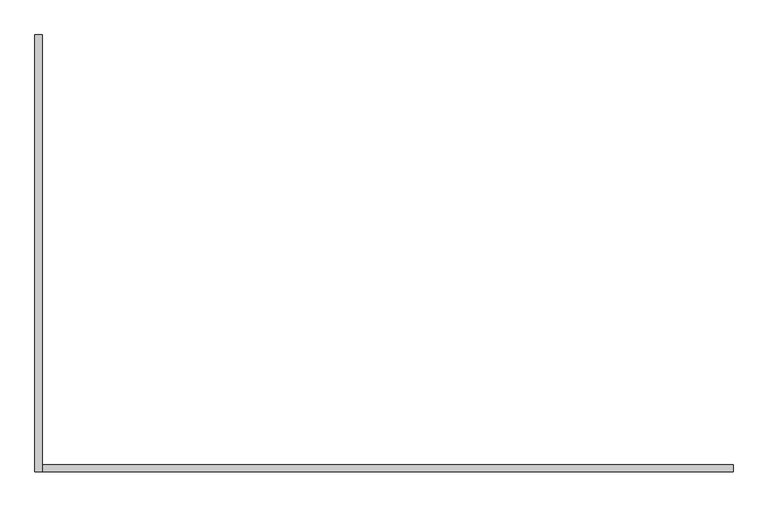
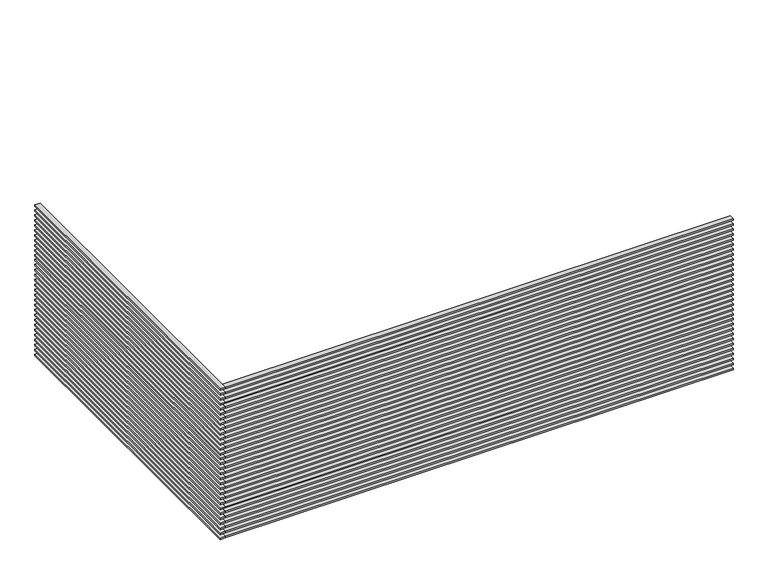
"""IFC4 building model written with IfcOpenShell, lengths in millimetres: proxy geometry."""

from ifc_helpers import new_model, si_unit, frame, origin, place, context, project, spatial, polyline, outline, extrude, source, transform, mapped, element, save


def generic_models_eebe7cf6(model_context):
    return source(origin(), model_context, "Body", "SweptSolid", [
        extrude(outline(polyline([(-200.0, 6100.0), (-200.0, 0.0), (-300.0, 0.0), (-300.0, 6100.0), (-200.0, 6100.0)])), frame((0.0, 0.0, 2985.0), z_axis=(0.0, 0.0, 1.0), x_axis=(1.0, 0.0, 0.0)), (0.0, 0.0, 1.0), 30.0),
        extrude(outline(polyline([(-200.0, 6100.0), (-200.0, 0.0), (-300.0, 0.0), (-300.0, 6100.0), (-200.0, 6100.0)])), frame((0.0, 0.0, 2885.0), z_axis=(0.0, 0.0, 1.0), x_axis=(1.0, 0.0, 0.0)), (0.0, 0.0, 1.0), 30.0),
        extrude(outline(polyline([(-200.0, 6100.0), (-200.0, 0.0), (-300.0, 0.0), (-300.0, 6100.0), (-200.0, 6100.0)])), frame((0.0, 0.0, 2785.0), z_axis=(0.0, 0.0, 1.0), x_axis=(1.0, 0.0, 0.0)), (0.0, 0.0, 1.0), 30.0),
        extrude(outline(polyline([(-200.0, 6100.0), (-200.0, 0.0), (-300.0, 0.0), (-300.0, 6100.0), (-200.0, 6100.0)])), frame((0.0, 0.0, 2685.0), z_axis=(0.0, 0.0, 1.0), x_axis=(1.0, 0.0, 0.0)), (0.0, 0.0, 1.0), 30.0),
        extrude(outline(polyline([(-200.0, 6100.0), (-200.0, 0.0), (-300.0, 0.0), (-300.0, 6100.0), (-200.0, 6100.0)])), frame((0.0, 0.0, 2585.0), z_axis=(0.0, 0.0, 1.0), x_axis=(1.0, 0.0, 0.0)), (0.0, 0.0, 1.0), 30.0),
        extrude(outline(polyline([(-200.0, 6100.0), (-200.0, 0.0), (-300.0, 0.0), (-300.0, 6100.0), (-200.0, 6100.0)])), frame((0.0, 0.0, 2485.0), z_axis=(0.0, 0.0, 1.0), x_axis=(1.0, 0.0, 0.0)), (0.0, 0.0, 1.0), 30.0),
        extrude(outline(polyline([(-200.0, 6100.0), (-200.0, 0.0), (-300.0, 0.0), (-300.0, 6100.0), (-200.0, 6100.0)])), frame((0.0, 0.0, 2385.0), z_axis=(0.0, 0.0, 1.0), x_axis=(1.0, 0.0, 0.0)), (0.0, 0.0, 1.0), 30.0),
        extrude(outline(polyline([(-200.0, 6100.0), (-200.0, 0.0), (-300.0, 0.0), (-300.0, 6100.0), (-200.0, 6100.0)])), frame((0.0, 0.0, 2285.0), z_axis=(0.0, 0.0, 1.0), x_axis=(1.0, 0.0, 0.0)), (0.0, 0.0, 1.0), 30.0),
        extrude(outline(polyline([(-200.0, 6100.0), (-200.0, 0.0), (-300.0, 0.0), (-300.0, 6100.0), (-200.0, 6100.0)])), frame((0.0, 0.0, 2185.0), z_axis=(0.0, 0.0, 1.0), x_axis=(1.0, 0.0, 0.0)), (0.0, 0.0, 1.0), 30.0),
        extrude(outline(polyline([(-200.0, 6100.0), (-200.0, 0.0), (-300.0, 0.0), (-300.0, 6100.0), (-200.0, 6100.0)])), frame((0.0, 0.0, 2085.0), z_axis=(0.0, 0.0, 1.0), x_axis=(1.0, 0.0, 0.0)), (0.0, 0.0, 1.0), 30.0),
        extrude(outline(polyline([(-200.0, 6100.0), (-200.0, 0.0), (-300.0, 0.0), (-300.0, 6100.0), (-200.0, 6100.0)])), frame((0.0, 0.0, 1985.0), z_axis=(0.0, 0.0, 1.0), x_axis=(1.0, 0.0, 0.0)), (0.0, 0.0, 1.0), 30.0),
        extrude(outline(polyline([(-200.0, 6100.0), (-200.0, 0.0), (-300.0, 0.0), (-300.0, 6100.0), (-200.0, 6100.0)])), frame((0.0, 0.0, 1885.0), z_axis=(0.0, 0.0, 1.0), x_axis=(1.0, 0.0, 0.0)), (0.0, 0.0, 1.0), 30.0),
        extrude(outline(polyline([(-200.0, 6100.0), (-200.0, 0.0), (-300.0, 0.0), (-300.0, 6100.0), (-200.0, 6100.0)])), frame((0.0, 0.0, 1785.0), z_axis=(0.0, 0.0, 1.0), x_axis=(1.0, 0.0, 0.0)), (0.0, 0.0, 1.0), 30.0),
        extrude(outline(polyline([(-200.0, 6100.0), (-200.0, 0.0), (-300.0, 0.0), (-300.0, 6100.0), (-200.0, 6100.0)])), frame((0.0, 0.0, 1685.0), z_axis=(0.0, 0.0, 1.0), x_axis=(1.0, 0.0, 0.0)), (0.0, 0.0, 1.0), 30.0),
        extrude(outline(polyline([(-200.0, 6100.0), (-200.0, 0.0), (-300.0, 0.0), (-300.0, 6100.0), (-200.0, 6100.0)])), frame((0.0, 0.0, 1585.0), z_axis=(0.0, 0.0, 1.0), x_axis=(1.0, 0.0, 0.0)), (0.0, 0.0, 1.0), 30.0),
        extrude(outline(polyline([(-200.0, 6100.0), (-200.0, 0.0), (-300.0, 0.0), (-300.0, 6100.0), (-200.0, 6100.0)])), frame((0.0, 0.0, 1485.0), z_axis=(0.0, 0.0, 1.0), x_axis=(1.0, 0.0, 0.0)), (0.0, 0.0, 1.0), 30.0),
        extrude(outline(polyline([(-200.0, 6100.0), (-200.0, 0.0), (-300.0, 0.0), (-300.0, 6100.0), (-200.0, 6100.0)])), frame((0.0, 0.0, 1385.0), z_axis=(0.0, 0.0, 1.0), x_axis=(1.0, 0.0, 0.0)), (0.0, 0.0, 1.0), 30.0),
        extrude(outline(polyline([(-200.0, 6100.0), (-200.0, 0.0), (-300.0, 0.0), (-300.0, 6100.0), (-200.0, 6100.0)])), frame((0.0, 0.0, 1285.0), z_axis=(0.0, 0.0, 1.0), x_axis=(1.0, 0.0, 0.0)), (0.0, 0.0, 1.0), 30.0),
        extrude(outline(polyline([(-200.0, 6100.0), (-200.0, 0.0), (-300.0, 0.0), (-300.0, 6100.0), (-200.0, 6100.0)])), frame((0.0, 0.0, 1185.0), z_axis=(0.0, 0.0, 1.0), x_axis=(1.0, 0.0, 0.0)), (0.0, 0.0, 1.0), 30.0),
        extrude(outline(polyline([(-200.0, 6100.0), (-200.0, 0.0), (-300.0, 0.0), (-300.0, 6100.0), (-200.0, 6100.0)])), frame((0.0, 0.0, 1085.0), z_axis=(0.0, 0.0, 1.0), x_axis=(1.0, 0.0, 0.0)), (0.0, 0.0, 1.0), 30.0),
        extrude(outline(polyline([(-200.0, 6100.0), (-200.0, 0.0), (-300.0, 0.0), (-300.0, 6100.0), (-200.0, 6100.0)])), frame((0.0, 0.0, 985.0), z_axis=(0.0, 0.0, 1.0), x_axis=(1.0, 0.0, 0.0)), (0.0, 0.0, 1.0), 30.0),
        extrude(outline(polyline([(-200.0, 6100.0), (-200.0, 0.0), (-300.0, 0.0), (-300.0, 6100.0), (-200.0, 6100.0)])), frame((0.0, 0.0, 885.0), z_axis=(0.0, 0.0, 1.0), x_axis=(1.0, 0.0, 0.0)), (0.0, 0.0, 1.0), 30.0),
        extrude(outline(polyline([(-200.0, 6100.0), (-200.0, 0.0), (-300.0, 0.0), (-300.0, 6100.0), (-200.0, 6100.0)])), frame((0.0, 0.0, 785.0), z_axis=(0.0, 0.0, 1.0), x_axis=(1.0, 0.0, 0.0)), (0.0, 0.0, 1.0), 30.0),
        extrude(outline(polyline([(-200.0, 6100.0), (-200.0, 0.0), (-300.0, 0.0), (-300.0, 6100.0), (-200.0, 6100.0)])), frame((0.0, 0.0, 685.0), z_axis=(0.0, 0.0, 1.0), x_axis=(1.0, 0.0, 0.0)), (0.0, 0.0, 1.0), 30.0),
        extrude(outline(polyline([(-200.0, 6100.0), (-200.0, 0.0), (-300.0, 0.0), (-300.0, 6100.0), (-200.0, 6100.0)])), frame((0.0, 0.0, 585.0), z_axis=(0.0, 0.0, 1.0), x_axis=(1.0, 0.0, 0.0)), (0.0, 0.0, 1.0), 30.0),
        extrude(outline(polyline([(-200.0, 6100.0), (-200.0, 0.0), (-300.0, 0.0), (-300.0, 6100.0), (-200.0, 6100.0)])), frame((0.0, 0.0, 485.0), z_axis=(0.0, 0.0, 1.0), x_axis=(1.0, 0.0, 0.0)), (0.0, 0.0, 1.0), 30.0),
        extrude(outline(polyline([(-200.0, 6100.0), (-200.0, 0.0), (-300.0, 0.0), (-300.0, 6100.0), (-200.0, 6100.0)])), frame((0.0, 0.0, 385.0), z_axis=(0.0, 0.0, 1.0), x_axis=(1.0, 0.0, 0.0)), (0.0, 0.0, 1.0), 30.0),
        extrude(outline(polyline([(-200.0, 6100.0), (-200.0, 0.0), (-300.0, 0.0), (-300.0, 6100.0), (-200.0, 6100.0)])), frame((0.0, 0.0, 285.0), z_axis=(0.0, 0.0, 1.0), x_axis=(1.0, 0.0, 0.0)), (0.0, 0.0, 1.0), 30.0),
        extrude(outline(polyline([(-200.0, 6100.0), (-200.0, 0.0), (-300.0, 0.0), (-300.0, 6100.0), (-200.0, 6100.0)])), frame((0.0, 0.0, 185.0), z_axis=(0.0, 0.0, 1.0), x_axis=(1.0, 0.0, 0.0)), (0.0, 0.0, 1.0), 30.0),
        extrude(outline(polyline([(-200.0, 6100.0), (-200.0, 0.0), (-300.0, 0.0), (-300.0, 6100.0), (-200.0, 6100.0)])), frame((0.0, 0.0, 85.0), z_axis=(0.0, 0.0, 1.0), x_axis=(1.0, 0.0, 0.0)), (0.0, 0.0, 1.0), 30.0),
        extrude(outline(polyline([(-200.0, 6100.0), (-200.0, 0.0), (-300.0, 0.0), (-300.0, 6100.0), (-200.0, 6100.0)])), frame((0.0, 0.0, -15.0), z_axis=(0.0, 0.0, 1.0), x_axis=(1.0, 0.0, 0.0)), (0.0, 0.0, 1.0), 30.0),
        extrude(outline(polyline([(-200.0, 100.0), (9450.0, 100.0), (9450.0, 0.0), (-200.0, 0.0), (-200.0, 100.0)])), frame((0.0, 0.0, 2985.0), z_axis=(0.0, 0.0, 1.0), x_axis=(1.0, 0.0, 0.0)), (0.0, 0.0, 1.0), 30.0),
        extrude(outline(polyline([(-200.0, 100.0), (9450.0, 100.0), (9450.0, 0.0), (-200.0, 0.0), (-200.0, 100.0)])), frame((0.0, 0.0, 2885.0), z_axis=(0.0, 0.0, 1.0), x_axis=(1.0, 0.0, 0.0)), (0.0, 0.0, 1.0), 30.0),
        extrude(outline(polyline([(-200.0, 100.0), (9450.0, 100.0), (9450.0, 0.0), (-200.0, 0.0), (-200.0, 100.0)])), frame((0.0, 0.0, 2785.0), z_axis=(0.0, 0.0, 1.0), x_axis=(1.0, 0.0, 0.0)), (0.0, 0.0, 1.0), 30.0),
        extrude(outline(polyline([(-200.0, 100.0), (9450.0, 100.0), (9450.0, 0.0), (-200.0, 0.0), (-200.0, 100.0)])), frame((0.0, 0.0, 2685.0), z_axis=(0.0, 0.0, 1.0), x_axis=(1.0, 0.0, 0.0)), (0.0, 0.0, 1.0), 30.0),
        extrude(outline(polyline([(-200.0, 100.0), (9450.0, 100.0), (9450.0, 0.0), (-200.0, 0.0), (-200.0, 100.0)])), frame((0.0, 0.0, 2585.0), z_axis=(0.0, 0.0, 1.0), x_axis=(1.0, 0.0, 0.0)), (0.0, 0.0, 1.0), 30.0),
        extrude(outline(polyline([(-200.0, 100.0), (9450.0, 100.0), (9450.0, 0.0), (-200.0, 0.0), (-200.0, 100.0)])), frame((0.0, 0.0, 2485.0), z_axis=(0.0, 0.0, 1.0), x_axis=(1.0, 0.0, 0.0)), (0.0, 0.0, 1.0), 30.0),
        extrude(outline(polyline([(-200.0, 100.0), (9450.0, 100.0), (9450.0, 0.0), (-200.0, 0.0), (-200.0, 100.0)])), frame((0.0, 0.0, 2385.0), z_axis=(0.0, 0.0, 1.0), x_axis=(1.0, 0.0, 0.0)), (0.0, 0.0, 1.0), 30.0),
        extrude(outline(polyline([(-200.0, 100.0), (9450.0, 100.0), (9450.0, 0.0), (-200.0, 0.0), (-200.0, 100.0)])), frame((0.0, 0.0, 2285.0), z_axis=(0.0, 0.0, 1.0), x_axis=(1.0, 0.0, 0.0)), (0.0, 0.0, 1.0), 30.0),
        extrude(outline(polyline([(-200.0, 100.0), (9450.0, 100.0), (9450.0, 0.0), (-200.0, 0.0), (-200.0, 100.0)])), frame((0.0, 0.0, 2185.0), z_axis=(0.0, 0.0, 1.0), x_axis=(1.0, 0.0, 0.0)), (0.0, 0.0, 1.0), 30.0),
        extrude(outline(polyline([(-200.0, 100.0), (9450.0, 100.0), (9450.0, 0.0), (-200.0, 0.0), (-200.0, 100.0)])), frame((0.0, 0.0, 2085.0), z_axis=(0.0, 0.0, 1.0), x_axis=(1.0, 0.0, 0.0)), (0.0, 0.0, 1.0), 30.0),
        extrude(outline(polyline([(-200.0, 100.0), (9450.0, 100.0), (9450.0, 0.0), (-200.0, 0.0), (-200.0, 100.0)])), frame((0.0, 0.0, 1985.0), z_axis=(0.0, 0.0, 1.0), x_axis=(1.0, 0.0, 0.0)), (0.0, 0.0, 1.0), 30.0),
        extrude(outline(polyline([(-200.0, 100.0), (9450.0, 100.0), (9450.0, 0.0), (-200.0, 0.0), (-200.0, 100.0)])), frame((0.0, 0.0, 1885.0), z_axis=(0.0, 0.0, 1.0), x_axis=(1.0, 0.0, 0.0)), (0.0, 0.0, 1.0), 30.0),
        extrude(outline(polyline([(-200.0, 100.0), (9450.0, 100.0), (9450.0, 0.0), (-200.0, 0.0), (-200.0, 100.0)])), frame((0.0, 0.0, 1785.0), z_axis=(0.0, 0.0, 1.0), x_axis=(1.0, 0.0, 0.0)), (0.0, 0.0, 1.0), 30.0),
        extrude(outline(polyline([(-200.0, 100.0), (9450.0, 100.0), (9450.0, 0.0), (-200.0, 0.0), (-200.0, 100.0)])), frame((0.0, 0.0, 1685.0), z_axis=(0.0, 0.0, 1.0), x_axis=(1.0, 0.0, 0.0)), (0.0, 0.0, 1.0), 30.0),
        extrude(outline(polyline([(-200.0, 100.0), (9450.0, 100.0), (9450.0, 0.0), (-200.0, 0.0), (-200.0, 100.0)])), frame((0.0, 0.0, 1585.0), z_axis=(0.0, 0.0, 1.0), x_axis=(1.0, 0.0, 0.0)), (0.0, 0.0, 1.0), 30.0),
        extrude(outline(polyline([(-200.0, 100.0), (9450.0, 100.0), (9450.0, 0.0), (-200.0, 0.0), (-200.0, 100.0)])), frame((0.0, 0.0, 1485.0), z_axis=(0.0, 0.0, 1.0), x_axis=(1.0, 0.0, 0.0)), (0.0, 0.0, 1.0), 30.0),
        extrude(outline(polyline([(-200.0, 100.0), (9450.0, 100.0), (9450.0, 0.0), (-200.0, 0.0), (-200.0, 100.0)])), frame((0.0, 0.0, 1385.0), z_axis=(0.0, 0.0, 1.0), x_axis=(1.0, 0.0, 0.0)), (0.0, 0.0, 1.0), 30.0),
        extrude(outline(polyline([(-200.0, 100.0), (9450.0, 100.0), (9450.0, 0.0), (-200.0, 0.0), (-200.0, 100.0)])), frame((0.0, 0.0, 1285.0), z_axis=(0.0, 0.0, 1.0), x_axis=(1.0, 0.0, 0.0)), (0.0, 0.0, 1.0), 30.0),
        extrude(outline(polyline([(-200.0, 100.0), (9450.0, 100.0), (9450.0, 0.0), (-200.0, 0.0), (-200.0, 100.0)])), frame((0.0, 0.0, 1185.0), z_axis=(0.0, 0.0, 1.0), x_axis=(1.0, 0.0, 0.0)), (0.0, 0.0, 1.0), 30.0),
        extrude(outline(polyline([(-200.0, 100.0), (9450.0, 100.0), (9450.0, 0.0), (-200.0, 0.0), (-200.0, 100.0)])), frame((0.0, 0.0, 1085.0), z_axis=(0.0, 0.0, 1.0), x_axis=(1.0, 0.0, 0.0)), (0.0, 0.0, 1.0), 30.0),
        extrude(outline(polyline([(-200.0, 100.0), (9450.0, 100.0), (9450.0, 0.0), (-200.0, 0.0), (-200.0, 100.0)])), frame((0.0, 0.0, 985.0), z_axis=(0.0, 0.0, 1.0), x_axis=(1.0, 0.0, 0.0)), (0.0, 0.0, 1.0), 30.0),
        extrude(outline(polyline([(-200.0, 100.0), (9450.0, 100.0), (9450.0, 0.0), (-200.0, 0.0), (-200.0, 100.0)])), frame((0.0, 0.0, 885.0), z_axis=(0.0, 0.0, 1.0), x_axis=(1.0, 0.0, 0.0)), (0.0, 0.0, 1.0), 30.0),
        extrude(outline(polyline([(-200.0, 100.0), (9450.0, 100.0), (9450.0, 0.0), (-200.0, 0.0), (-200.0, 100.0)])), frame((0.0, 0.0, 785.0), z_axis=(0.0, 0.0, 1.0), x_axis=(1.0, 0.0, 0.0)), (0.0, 0.0, 1.0), 30.0),
        extrude(outline(polyline([(-200.0, 100.0), (9450.0, 100.0), (9450.0, 0.0), (-200.0, 0.0), (-200.0, 100.0)])), frame((0.0, 0.0, 685.0), z_axis=(0.0, 0.0, 1.0), x_axis=(1.0, 0.0, 0.0)), (0.0, 0.0, 1.0), 30.0),
        extrude(outline(polyline([(-200.0, 100.0), (9450.0, 100.0), (9450.0, 0.0), (-200.0, 0.0), (-200.0, 100.0)])), frame((0.0, 0.0, 585.0), z_axis=(0.0, 0.0, 1.0), x_axis=(1.0, 0.0, 0.0)), (0.0, 0.0, 1.0), 30.0),
        extrude(outline(polyline([(-200.0, 100.0), (9450.0, 100.0), (9450.0, 0.0), (-200.0, 0.0), (-200.0, 100.0)])), frame((0.0, 0.0, 485.0), z_axis=(0.0, 0.0, 1.0), x_axis=(1.0, 0.0, 0.0)), (0.0, 0.0, 1.0), 30.0),
        extrude(outline(polyline([(-200.0, 100.0), (9450.0, 100.0), (9450.0, 0.0), (-200.0, 0.0), (-200.0, 100.0)])), frame((0.0, 0.0, 385.0), z_axis=(0.0, 0.0, 1.0), x_axis=(1.0, 0.0, 0.0)), (0.0, 0.0, 1.0), 30.0),
        extrude(outline(polyline([(-200.0, 100.0), (9450.0, 100.0), (9450.0, 0.0), (-200.0, 0.0), (-200.0, 100.0)])), frame((0.0, 0.0, 285.0), z_axis=(0.0, 0.0, 1.0), x_axis=(1.0, 0.0, 0.0)), (0.0, 0.0, 1.0), 30.0),
        extrude(outline(polyline([(-200.0, 100.0), (9450.0, 100.0), (9450.0, 0.0), (-200.0, 0.0), (-200.0, 100.0)])), frame((0.0, 0.0, 185.0), z_axis=(0.0, 0.0, 1.0), x_axis=(1.0, 0.0, 0.0)), (0.0, 0.0, 1.0), 30.0),
        extrude(outline(polyline([(-200.0, 100.0), (9450.0, 100.0), (9450.0, 0.0), (-200.0, 0.0), (-200.0, 100.0)])), frame((0.0, 0.0, 85.0), z_axis=(0.0, 0.0, 1.0), x_axis=(1.0, 0.0, 0.0)), (0.0, 0.0, 1.0), 30.0),
        extrude(outline(polyline([(-200.0, 100.0), (9450.0, 100.0), (9450.0, 0.0), (-200.0, 0.0), (-200.0, 100.0)])), frame((0.0, 0.0, -15.0), z_axis=(0.0, 0.0, 1.0), x_axis=(1.0, 0.0, 0.0)), (0.0, 0.0, 1.0), 30.0),
    ])


if __name__ == "__main__":
    model = new_model("IFC4")
    model_context = context("Model", 3, world=origin())
    ifc_project = project(units=[si_unit("LENGTHUNIT", "METRE", prefix="MILLI")], contexts=[model_context])
    site = spatial("IfcSite", under=ifc_project)
    building = spatial("IfcBuilding", under=site)
    placement = place(None, origin())
    generic_models_shape = generic_models_eebe7cf6(model_context)
    element("IfcBuildingElementProxy", 1, Name="Generic Models", at=placement, inside=building, context=model_context, shape_type="MappedRepresentation", body=[
        mapped(generic_models_shape, transform((0.0, 0.0, 0.0), x_axis=(1.0, 0.0, 0.0), y_axis=(0.0, 1.0, 0.0), z_axis=(0.0, 0.0, 1.0))),
    ])
    save(model, "model.ifc")
